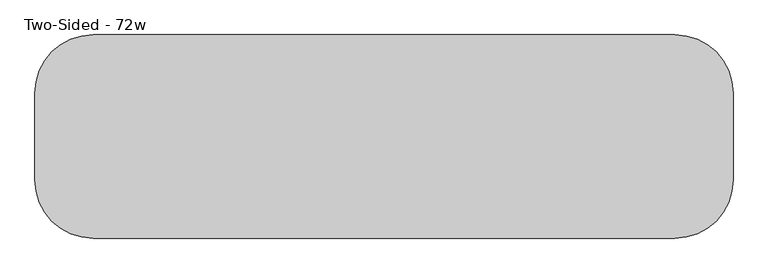
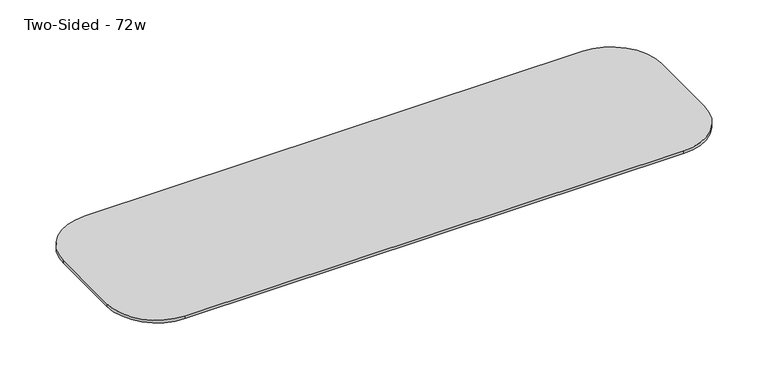
"""IFC4 building model written with IfcOpenShell, lengths in millimetres: furniture geometry, Two-Sided - 72w."""

from ifc_helpers import new_model, si_unit, frame, origin, place, context, project, spatial, polyline, circle_curve, outline, extrude, source, transform, mapped, element, save
from ifc_brep_helpers import plane_surface, cylinder_surface, revolved_surface, advanced_brep


def two_sided_72w_711f9078(model_context):
    return source(origin(), model_context, "Body", "SolidModel", [
        extrude(outline(polyline([(-142.2292425, 673.1), (-142.2292425, 711.2), (-2.5292425, 711.2), (-2.5292425, 704.85), (-142.2292425, 673.1)])), frame((-364.160823, 0.0, 0.0), z_axis=(1.0, 0.0, 0.0), x_axis=(0.0, 1.0, 0.0)), (0.0, 0.0, 1.0), 82.55),
        extrude(outline(polyline([(-243.8292425, 673.1), (-383.5292425, 704.85), (-383.5292425, 711.2), (-243.8292425, 711.2), (-243.8292425, 673.1)])), frame((-364.160823, 0.0, 0.0), z_axis=(1.0, 0.0, 0.0), x_axis=(0.0, 1.0, 0.0)), (0.0, 0.0, 1.0), 82.55),
        extrude(outline(polyline([(-142.2292425, 673.1), (-142.2292425, 711.2), (-2.5292425, 711.2), (-2.5292425, 704.85), (-142.2292425, 673.1)])), frame((340.689177, 0.0, 0.0), z_axis=(1.0, 0.0, 0.0), x_axis=(0.0, 1.0, 0.0)), (0.0, 0.0, 1.0), 82.55),
        extrude(outline(polyline([(-142.2292425, 673.1), (-142.2292425, 711.2), (-2.5292425, 711.2), (-2.5292425, 704.85), (-142.2292425, 673.1)])), frame((-1069.010823, 0.0, 0.0), z_axis=(1.0, 0.0, 0.0), x_axis=(0.0, 1.0, 0.0)), (0.0, 0.0, 1.0), 82.55),
        extrude(outline(polyline([(-243.8292425, 673.1), (-383.5292425, 704.85), (-383.5292425, 711.2), (-243.8292425, 711.2), (-243.8292425, 673.1)])), frame((340.689177, 0.0, 0.0), z_axis=(1.0, 0.0, 0.0), x_axis=(0.0, 1.0, 0.0)), (0.0, 0.0, 1.0), 82.55),
        extrude(outline(polyline([(-243.8292425, 673.1), (-383.5292425, 704.85), (-383.5292425, 711.2), (-243.8292425, 711.2), (-243.8292425, 673.1)])), frame((-1069.010823, 0.0, 0.0), z_axis=(1.0, 0.0, 0.0), x_axis=(0.0, 1.0, 0.0)), (0.0, 0.0, 1.0), 82.55),
        advanced_brep(
        [(439.114177, 73.6707575, 742.95), (-1084.885823, 73.6707575, 742.95), (-1237.285823, -78.7292425, 742.95), (-1237.285823, -307.3292425, 742.95), (-1084.885823, -459.7292425, 742.95), (439.114177, -459.7292425, 742.95), (591.514177, -307.3292425, 742.95), (591.514177, -78.7292425, 742.95), (540.714177, -307.3292425, 711.2), (439.114177, -408.9292425, 711.2), (-1084.885823, -408.9292425, 711.2), (-1186.485823, -307.3292425, 711.2), (-1186.485823, -78.7292425, 711.2), (-1084.885823, 22.8707575, 711.2), (439.114177, 22.8707575, 711.2), (540.714177, -78.7292425, 711.2), (439.114177, 73.6707575, 734.45116), (-1084.885823, 73.6707575, 734.45116), (-1237.285823, -78.7292425, 734.45116), (-1237.285823, -307.3292425, 734.45116), (-1084.885823, -459.7292425, 734.45116), (439.114177, -459.7292425, 734.45116), (591.514177, -307.3292425, 734.45116), (591.514177, -78.7292425, 734.45116)],
        [
            (0, 1),
            (1, 2, circle_curve(frame((-1084.885823, -78.7292425, 742.95), z_axis=(0.0, 0.0, 1.0), x_axis=(1.0, 0.0, 0.0)), 152.4)),
            (2, 3),
            (3, 4, circle_curve(frame((-1084.885823, -307.3292425, 742.95), z_axis=(0.0, 0.0, 1.0), x_axis=(1.0, 0.0, 0.0)), 152.4)),
            (4, 5),
            (5, 6, circle_curve(frame((439.114177, -307.3292425, 742.95), z_axis=(0.0, 0.0, 1.0), x_axis=(1.0, 0.0, 0.0)), 152.4)),
            (6, 7),
            (7, 0, circle_curve(frame((439.114177, -78.7292425, 742.95), z_axis=(0.0, 0.0, 1.0), x_axis=(1.0, 0.0, 0.0)), 152.4)),
            (8, 9, circle_curve(frame((439.114177, -307.3292425, 711.2), z_axis=(0.0, 0.0, -1.0), x_axis=(0.0, -1.0, 0.0)), 101.6)),
            (9, 10),
            (10, 11, circle_curve(frame((-1084.885823, -307.3292425, 711.2), z_axis=(0.0, 0.0, -1.0), x_axis=(-1.0, 0.0, 0.0)), 101.6)),
            (11, 12),
            (12, 13, circle_curve(frame((-1084.885823, -78.7292425, 711.2), z_axis=(0.0, 0.0, -1.0), x_axis=(0.0, 1.0, 0.0)), 101.6)),
            (13, 14),
            (14, 15, circle_curve(frame((439.114177, -78.7292425, 711.2), z_axis=(0.0, 0.0, -1.0), x_axis=(1.0, 0.0, 0.0)), 101.6)),
            (15, 8),
            (0, 16),
            (16, 17),
            (17, 1),
            (2, 18),
            (18, 19),
            (19, 3),
            (4, 20),
            (20, 21),
            (21, 5),
            (6, 22),
            (22, 23),
            (23, 7),
            (17, 18, circle_curve(frame((-1084.885823, -78.7292425, 734.45116), z_axis=(0.0, 0.0, 1.0), x_axis=(1.0, 0.0, 0.0)), 152.4)),
            (19, 20, circle_curve(frame((-1084.885823, -307.3292425, 734.45116), z_axis=(0.0, 0.0, 1.0), x_axis=(1.0, 0.0, 0.0)), 152.4)),
            (21, 22, circle_curve(frame((439.114177, -307.3292425, 734.45116), z_axis=(0.0, 0.0, 1.0), x_axis=(1.0, 0.0, 0.0)), 152.4)),
            (23, 16, circle_curve(frame((439.114177, -78.7292425, 734.45116), z_axis=(0.0, 0.0, 1.0), x_axis=(1.0, 0.0, 0.0)), 152.4)),
            (8, 22),
            (21, 9),
            (15, 23),
            (18, 12),
            (11, 19),
            (10, 20),
            (14, 16),
            (13, 17),
        ],
        [
            plane_surface(frame((-1237.285823, 73.6707575, 742.95), z_axis=(0.0, 0.0, 1.0), x_axis=(-1.0, 0.0, 0.0))),
            plane_surface(frame((-1237.285823, 73.6707575, 711.2), z_axis=(0.0, 0.0, -1.0), x_axis=(1.0, 0.0, 0.0))),
            plane_surface(frame((439.114177, 73.6707575, 742.95), z_axis=(0.0, 1.0, 0.0), x_axis=(0.0, 0.0, -1.0))),
            plane_surface(frame((-1237.285823, -78.7292425, 742.95), z_axis=(-1.0, 0.0, 0.0), x_axis=(0.0, 0.0, -1.0))),
            plane_surface(frame((-1084.885823, -459.7292425, 742.95), z_axis=(0.0, -1.0, 0.0), x_axis=(0.0, 0.0, -1.0))),
            plane_surface(frame((591.514177, -307.3292425, 742.95), z_axis=(1.0, 0.0, 0.0), x_axis=(0.0, 0.0, -1.0))),
            cylinder_surface(frame((-1084.885823, -78.7292425, 711.2), z_axis=(0.0, 0.0, 1.0), x_axis=(1.0, 0.0, 0.0)), 152.4),
            cylinder_surface(frame((-1084.885823, -307.3292425, 711.2), z_axis=(0.0, 0.0, 1.0), x_axis=(1.0, 0.0, 0.0)), 152.4),
            cylinder_surface(frame((439.114177, -307.3292425, 711.2), z_axis=(0.0, 0.0, 1.0), x_axis=(1.0, 0.0, 0.0)), 152.4),
            cylinder_surface(frame((439.114177, -78.7292425, 711.2), z_axis=(0.0, 0.0, 1.0), x_axis=(1.0, 0.0, 0.0)), 152.4),
            revolved_surface(polyline([(439.114177, -325.686944, 673.1), (439.114177, -459.7292425, 734.45116)]), (439.114177, -307.3292425, 742.95), (0.0, 0.0, 1.0)),
            plane_surface(frame((591.514177, -307.3292425, 734.45116), z_axis=(0.4161787475539382, 0.0, -0.9092828218351183), x_axis=(0.0, 1.0, 0.0))),
            plane_surface(frame((-1237.285823, -78.7292425, 734.45116), z_axis=(-0.4161787475539382, 0.0, -0.9092828218351183), x_axis=(0.0, -1.0, 0.0))),
            revolved_surface(polyline([(-1103.2435246, -307.3292425, 673.1), (-1237.285823, -307.3292425, 734.45116)]), (-1084.885823, -307.3292425, 742.95), (0.0, 0.0, 1.0)),
            plane_surface(frame((-1084.885823, -459.7292425, 734.45116), z_axis=(0.0, -0.4161787475539382, -0.9092828218351183), x_axis=(1.0, 0.0, 0.0))),
            revolved_surface(polyline([(457.4718785, -78.7292425, 673.1), (591.514177, -78.7292425, 734.45116)]), (439.114177, -78.7292425, 742.95), (0.0, 0.0, 1.0)),
            plane_surface(frame((439.114177, 73.6707575, 734.45116), z_axis=(0.0, 0.4161787475539382, -0.9092828218351183), x_axis=(-1.0, 0.0, 0.0))),
            revolved_surface(polyline([(-1084.885823, -60.3715409, 673.1), (-1084.885823, 73.6707575, 734.45116)]), (-1084.885823, -78.7292425, 742.95), (0.0, 0.0, 1.0)),
        ],
        [
            (0, [[1, 2, 3, 4, 5, 6, 7, 8]]),
            (1, [[9, 10, 11, 12, 13, 14, 15, 16]]),
            (2, [[-1, 17, 18, 19]]),
            (3, [[-3, 20, 21, 22]]),
            (4, [[-5, 23, 24, 25]]),
            (5, [[-7, 26, 27, 28]]),
            (6, [[-2, -19, 29, -20]]),
            (7, [[-4, -22, 30, -23]]),
            (8, [[-6, -25, 31, -26]]),
            (9, [[-8, -28, 32, -17]]),
            (10, [[33, -31, 34, -9]]),
            (11, [[-33, -16, 35, -27]]),
            (12, [[36, -12, 37, -21]]),
            (13, [[-37, -11, 38, -30]]),
            (14, [[-38, -10, -34, -24]]),
            (15, [[-35, -15, 39, -32]]),
            (16, [[-39, -14, 40, -18]]),
            (17, [[-40, -13, -36, -29]]),
        ],
    ),
    ])


if __name__ == "__main__":
    model = new_model("IFC4")
    model_context = context("Model", 3, world=origin())
    ifc_project = project(units=[si_unit("LENGTHUNIT", "METRE", prefix="MILLI")], contexts=[model_context])
    site = spatial("IfcSite", under=ifc_project)
    building = spatial("IfcBuilding", under=site)
    placement = place(None, origin())
    two_sided_72w_shape = two_sided_72w_711f9078(model_context)
    element("IfcFurniture", 1, ObjectType="Two-Sided - 72w", at=placement, inside=building, context=model_context, shape_type="MappedRepresentation", body=[
        mapped(two_sided_72w_shape, transform((0.0, 0.0, 0.0), x_axis=(1.0, 0.0, 0.0), y_axis=(0.0, 1.0, 0.0), z_axis=(0.0, 0.0, 1.0))),
    ])
    save(model, "model.ifc")
